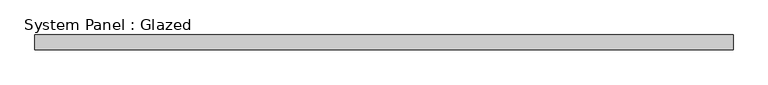
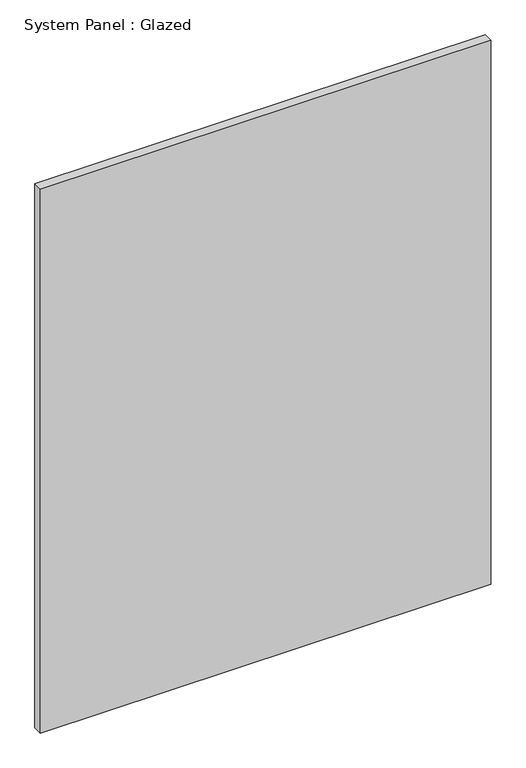
"""IFC4 building model written with IfcOpenShell, lengths in millimetres: plate geometry, System Panel : Glazed."""

from ifc_helpers import new_model, si_unit, origin, origin_with_axes, place, context, project, spatial, polyline, outline, extrude, source, transform, mapped, element, save


def system_panel_glazed_fc0e80df(model_context):
    return source(origin(), model_context, "Body", "SweptSolid", [
        extrude(outline(polyline([(587.5, 24.5), (-587.5, 24.5), (-587.5, 49.5), (587.5, 49.5), (587.5, 24.5)])), origin_with_axes(), (0.0, 0.0, 1.0), 1500.0),
    ])


if __name__ == "__main__":
    model = new_model("IFC4")
    model_context = context("Model", 3, world=origin())
    ifc_project = project(units=[si_unit("LENGTHUNIT", "METRE", prefix="MILLI")], contexts=[model_context])
    site = spatial("IfcSite", under=ifc_project)
    building = spatial("IfcBuilding", under=site)
    placement = place(None, origin())
    system_panel_glazed_shape = system_panel_glazed_fc0e80df(model_context)
    element("IfcPlate", 1, ObjectType="System Panel : Glazed", at=placement, inside=building, context=model_context, shape_type="MappedRepresentation", body=[
        mapped(system_panel_glazed_shape, transform((0.0, 0.0, 0.0), x_axis=(1.0, 0.0, 0.0), y_axis=(0.0, 1.0, 0.0), z_axis=(0.0, 0.0, 1.0))),
    ])
    save(model, "model.ifc")
